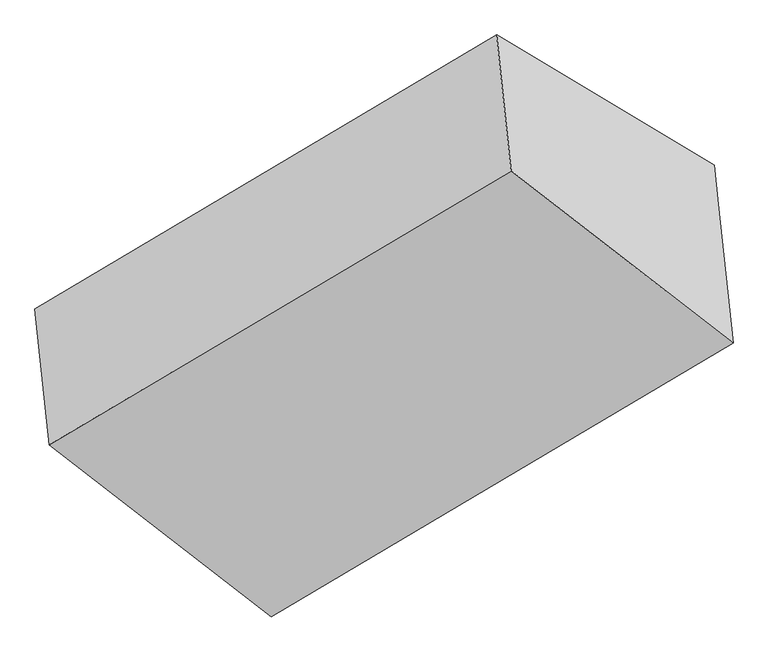
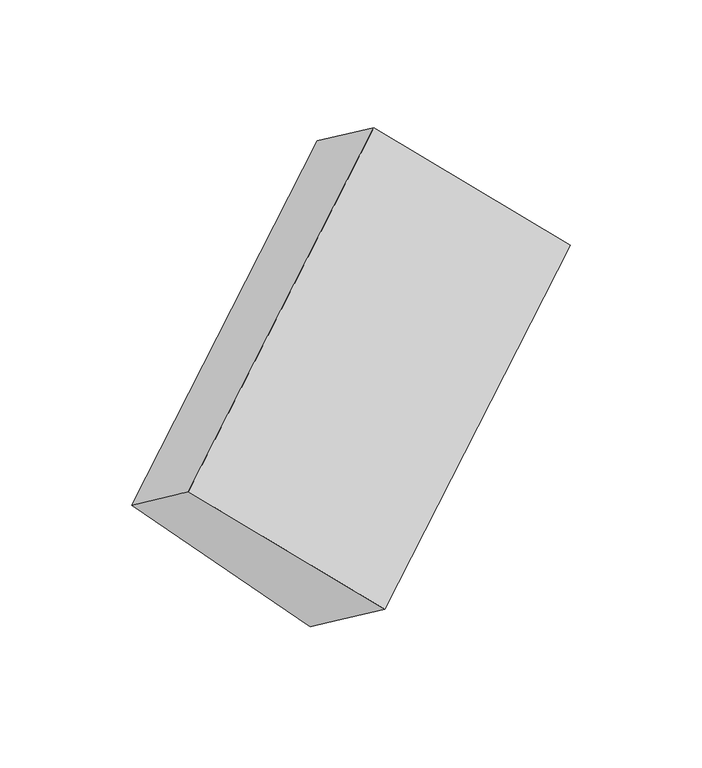
"""IFC4 building model written with IfcOpenShell, lengths in millimetres: proxy geometry."""

from ifc_helpers import new_model, si_unit, origin, place, context, project, spatial, faceted_brep, source, transform, mapped, element, save


def generic_models_f2050f9a(model_context):
    return source(origin(), model_context, "Body", "Brep", [
        faceted_brep([(-3792.2924898, -1569.1694215, 1598.4189484), (-3750.8830012, -1959.7845248, 1886.9070191), (-2425.6891741, -1173.2467357, 2754.4858254), (-2467.0986626, -782.6316324, 2465.9977547), (-3168.3955621, -1942.880043, 1002.8578727), (-1843.2017349, -1156.342254, 1870.436679), (-3156.5002029, -2055.0887936, 1085.7294403), (-1831.3063757, -1268.5510045, 1953.3082466), (-3114.2173426, -2453.9423996, 1380.3020421), (-1789.0235154, -1667.4046105, 2247.8808484)], [[[0, 1, 2, 3]], [[4, 0, 5]], [[6, 4, 5, 7]], [[8, 6, 7, 9]], [[1, 8, 9, 2]], [[7, 5, 3, 2, 9]], [[1, 0, 4, 6, 8]], [[3, 5, 0]]]),
    ])


if __name__ == "__main__":
    model = new_model("IFC4")
    model_context = context("Model", 3, world=origin())
    ifc_project = project(units=[si_unit("LENGTHUNIT", "METRE", prefix="MILLI")], contexts=[model_context])
    site = spatial("IfcSite", under=ifc_project)
    building = spatial("IfcBuilding", under=site)
    placement = place(None, origin())
    generic_models_shape = generic_models_f2050f9a(model_context)
    element("IfcBuildingElementProxy", 1, Name="Generic Models", at=placement, inside=building, context=model_context, shape_type="MappedRepresentation", body=[
        mapped(generic_models_shape, transform((0.0, 0.0, 0.0), x_axis=(1.0, 0.0, 0.0), y_axis=(0.0, 1.0, 0.0), z_axis=(0.0, 0.0, 1.0))),
    ])
    save(model, "model.ifc")
